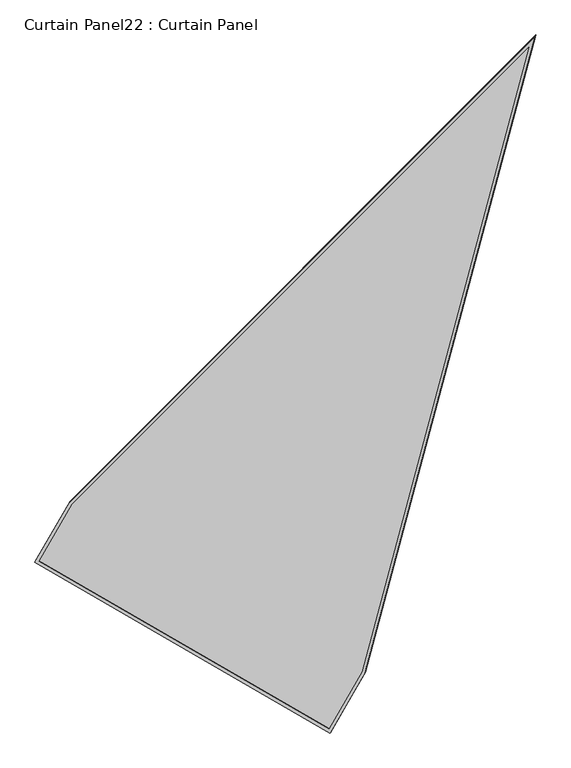
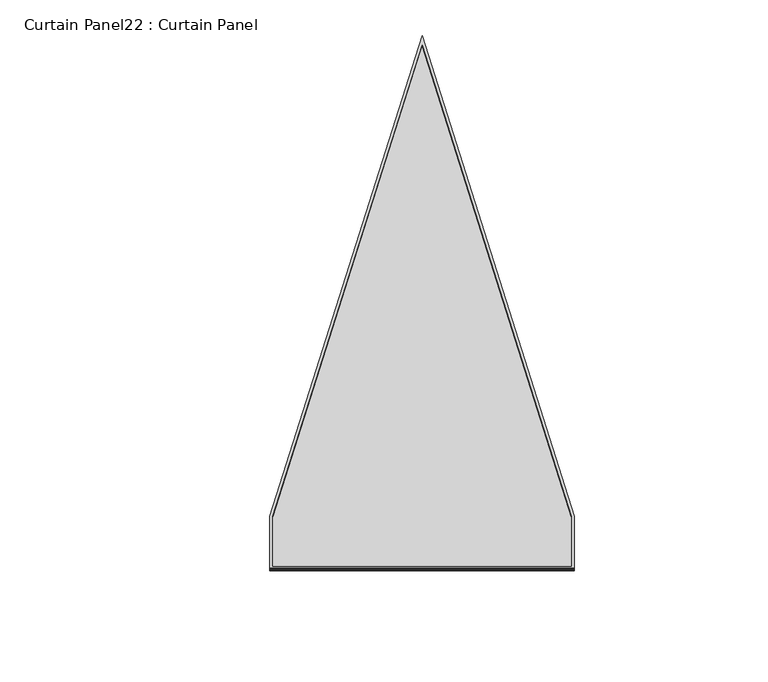
"""IFC4 building model written with IfcOpenShell, lengths in millimetres: plate geometry, Curtain Panel22 : Curtain Panel."""

from ifc_helpers import new_model, si_unit, frame, origin, place, context, project, spatial, polyline, outline, extrude, source, transform, mapped, element, save


def curtain_panel22_curtain_panel_e4f5f3fe(model_context):
    return source(origin(), model_context, "Body", "SweptSolid", [
        extrude(outline(polyline([(847.432027, -3696.9761761), (-1e-07, -363.3364406), (0.0, 0.0), (1694.8139168, 0.0), (1694.8139168, -363.533671), (847.432027, -3696.9761761)]), holes=[polyline([(1678.1511189, -16.6627979), (16.6627979, -16.6627979), (16.6627978, -361.2516992), (847.432027, -3629.3430918), (1678.1511189, -361.4489295), (1678.1511189, -16.6627979)])]), frame((11239.8068389, -2171.6664332, 1929.6371753), z_axis=(-0.15807291198690537, -0.2737903148616783, 0.948710608132914), x_axis=(-0.8660254037844315, 0.5000000000000125, 0.0)), (0.0, 0.0, 1.0), 4.8321201),
        extrude(outline(polyline([(847.432027, -3696.9761762), (0.0, -363.3364406), (0.0, 0.0), (1694.8139169, 0.0), (1694.8139168, -363.533671), (847.432027, -3696.9761762)]), holes=[polyline([(1684.5011189, -10.3127979), (10.3127979, -10.3127979), (10.3127978, -362.0461701), (847.432027, -3655.1172798), (1684.5011189, -362.2434005), (1684.5011189, -10.3127979)])]), frame((11242.5931325, -2166.8404312, 1912.9145994), z_axis=(-0.1580729119869103, -0.27379031486168715, 0.9487106081329105), x_axis=(-0.8660254037844319, 0.5000000000000118, 0.0)), (0.0, 0.0, 1.0), 4.824831),
        extrude(outline(polyline([(12.7000001, 0.0), (1707.5139168, 0.0), (1707.5139168, -363.5336709), (860.1320271, -3696.9761762), (12.7, -363.3364406), (12.7000001, 0.0)])), frame((11252.8289801, -2174.5114232, 1917.4919677), z_axis=(-0.15807291198690487, -0.27379031486167804, 0.948710608132914), x_axis=(-0.8660254037844349, 0.5000000000000067, 0.0)), (0.0, 0.0, 1.0), 12.8018043),
    ])


if __name__ == "__main__":
    model = new_model("IFC4")
    model_context = context("Model", 3, world=origin())
    ifc_project = project(units=[si_unit("LENGTHUNIT", "METRE", prefix="MILLI")], contexts=[model_context])
    site = spatial("IfcSite", under=ifc_project)
    building = spatial("IfcBuilding", under=site)
    placement = place(None, origin())
    curtain_panel22_curtain_panel_shape = curtain_panel22_curtain_panel_e4f5f3fe(model_context)
    element("IfcPlate", 1, ObjectType="Curtain Panel22 : Curtain Panel", at=placement, inside=building, context=model_context, shape_type="MappedRepresentation", body=[
        mapped(curtain_panel22_curtain_panel_shape, transform((0.0, 0.0, 0.0), x_axis=(1.0, 0.0, 0.0), y_axis=(0.0, 1.0, 0.0), z_axis=(0.0, 0.0, 1.0))),
    ])
    save(model, "model.ifc")
